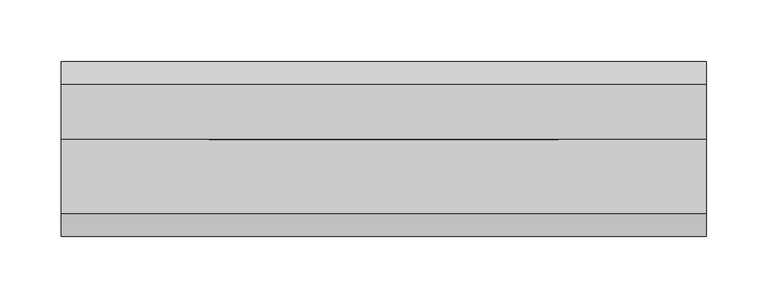
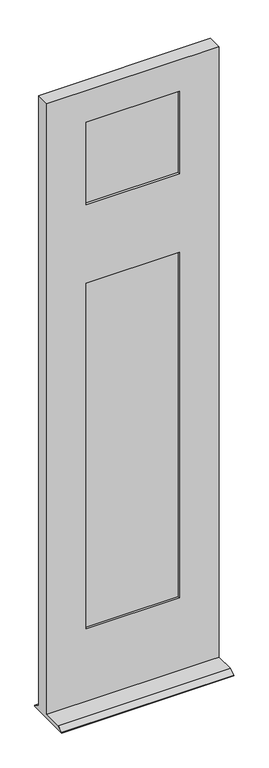
"""IFC4 building model written with IfcOpenShell, lengths in millimetres: plate geometry."""

from ifc_helpers import new_model, si_unit, frame, origin, place, context, project, spatial, polyline, outline, extrude, faceted_brep, source, transform, mapped, element, save


def plate_9feba806(model_context):
    return source(origin(), model_context, "Body", "SolidModel", [
        extrude(outline(polyline([(160.7312, -40.35425), (-160.7312, -40.35425), (-160.7312, -34.00425), (160.7312, -34.00425), (160.7312, -40.35425)])), frame((0.0, 0.0, 226.21875), z_axis=(0.0, 0.0, 1.0), x_axis=(1.0, 0.0, 0.0)), (0.0, 0.0, 1.0), 1154.7050557),
        extrude(outline(polyline([(-160.7312, -14.95425), (160.7312, -14.95425), (160.7312, -21.30425), (-160.7312, -21.30425), (-160.7312, -14.95425)])), frame((0.0, 0.0, 226.21875), z_axis=(0.0, 0.0, 1.0), x_axis=(1.0, 0.0, 0.0)), (0.0, 0.0, 1.0), 1154.7050557),
        extrude(outline(polyline([(160.7312, -14.95425), (160.7312, -21.30425), (-160.7312, -21.30425), (-160.7312, -14.95425), (160.7312, -14.95425)])), frame((0.0, 0.0, 1595.2363057), z_axis=(0.0, 0.0, 1.0), x_axis=(1.0, 0.0, 0.0)), (0.0, 0.0, 1.0), 304.8),
        extrude(outline(polyline([(-160.7312, -40.35425), (-160.7312, -34.00425), (160.7312, -34.00425), (160.7312, -40.35425), (-160.7312, -40.35425)])), frame((0.0, 0.0, 1595.2363057), z_axis=(0.0, 0.0, 1.0), x_axis=(1.0, 0.0, 0.0)), (0.0, 0.0, 1.0), 304.8),
        faceted_brep([(-263.1186, -3.34645, 1981.7989057), (-263.1186, -47.79645, 1981.7989057), (263.1186, -47.79645, 1981.7989057), (263.1186, -3.34645, 1981.7989057), (263.1186, -127.17145, 0.0), (-263.1186, -127.17145, 0.0), (-263.1186, 15.70355, 0.0), (263.1186, 15.70355, 0.0), (-263.1186, -47.79645, 12.7), (263.1186, -47.79645, 12.7), (142.4686, -47.79645, 246.0625), (-142.4686, -47.79645, 246.0625), (-142.4686, -47.79645, 1361.0737057), (142.4686, -47.79645, 1361.0737057), (-142.4686, -47.79645, 1615.0737057), (-142.4686, -47.79645, 1880.1989057), (142.4686, -47.79645, 1880.1989057), (142.4686, -47.79645, 1615.0737057), (-142.4686, -40.35425, 246.0625), (-142.4686, -40.35425, 1361.0737057), (-142.4686, -40.35425, 1615.0737057), (-142.4686, -40.35425, 1880.1989057), (160.7312, -40.35425, 226.21875), (-160.7312, -40.35425, 226.21875), (-160.7312, -40.35425, 1380.9238057), (160.7312, -40.35425, 1380.9238057), (142.4686, -40.35425, 246.0625), (142.4686, -40.35425, 1361.0737057), (160.7312, -40.35425, 1595.2363057), (-160.7312, -40.35425, 1595.2363057), (-160.7312, -40.35425, 1900.0363057), (160.7312, -40.35425, 1900.0363057), (142.4686, -40.35425, 1615.0737057), (142.4686, -40.35425, 1880.1989057), (-160.7312, -14.95425, 1595.2363057), (-160.7312, -14.95425, 1900.0363057), (-160.7312, -14.95425, 226.21875), (-160.7312, -14.95425, 1380.9238057), (160.7312, -14.95425, 226.21875), (160.7312, -14.95425, 1380.9238057), (142.4686, -14.95425, 246.0625), (-142.4686, -14.95425, 246.0625), (-142.4686, -14.95425, 1361.0737057), (142.4686, -14.95425, 1361.0737057), (160.7312, -14.95425, 1595.2363057), (160.7312, -14.95425, 1900.0363057), (142.4686, -14.95425, 1615.0737057), (-142.4686, -14.95425, 1615.0737057), (-142.4686, -14.95425, 1880.1989057), (142.4686, -14.95425, 1880.1989057), (-142.4686, -3.34645, 246.0625), (-142.4686, -3.34645, 1361.0737057), (-142.4686, -3.34645, 1615.0737057), (-142.4686, -3.34645, 1880.1989057), (263.1186, -3.34645, 12.7), (-263.1186, -3.34645, 12.7), (142.4686, -3.34645, 246.0625), (142.4686, -3.34645, 1361.0737057), (142.4686, -3.34645, 1615.0737057), (142.4686, -3.34645, 1880.1989057), (-263.1186, 15.70355, 3.175), (-263.1186, -127.17145, 3.175), (-263.1186, -108.12145, 12.7), (263.1186, -108.12145, 12.7), (263.1186, -127.17145, 3.175), (263.1186, 15.70355, 3.175)], [[[0, 1, 2, 3]], [[4, 5, 6, 7]], [[2, 1, 8, 9], [10, 11, 12, 13], [14, 15, 16, 17]], [[11, 18, 19, 12]], [[14, 20, 21, 15]], [[22, 23, 24, 25], [18, 26, 27, 19]], [[28, 29, 30, 31], [20, 32, 33, 21]], [[30, 29, 34, 35]], [[23, 36, 37, 24]], [[36, 38, 39, 37], [40, 41, 42, 43]], [[34, 44, 45, 35], [46, 47, 48, 49]], [[41, 50, 51, 42]], [[47, 52, 53, 48]], [[0, 3, 54, 55], [50, 56, 57, 51], [58, 59, 53, 52]], [[8, 1, 0, 55, 60, 6, 5, 61, 62]], [[2, 9, 63, 64, 4, 7, 65, 54, 3]], [[63, 9, 8, 62]], [[64, 63, 62, 61]], [[4, 64, 61, 5]], [[54, 65, 60, 55]], [[50, 41, 40, 56]], [[36, 23, 22, 38]], [[18, 11, 10, 26]], [[65, 7, 6, 60]], [[56, 40, 43, 57]], [[58, 46, 49, 59]], [[45, 44, 28, 31]], [[38, 22, 25, 39]], [[26, 10, 13, 27]], [[32, 17, 16, 33]], [[34, 29, 28, 44]], [[14, 17, 32, 20]], [[13, 12, 19, 27]], [[24, 37, 39, 25]], [[43, 42, 51, 57]], [[47, 46, 58, 52]], [[49, 48, 53, 59]], [[35, 45, 31, 30]], [[16, 15, 21, 33]]]),
    ])


if __name__ == "__main__":
    model = new_model("IFC4")
    model_context = context("Model", 3, world=origin())
    ifc_project = project(units=[si_unit("LENGTHUNIT", "METRE", prefix="MILLI")], contexts=[model_context])
    site = spatial("IfcSite", under=ifc_project)
    building = spatial("IfcBuilding", under=site)
    placement = place(None, origin())
    plate_shape = plate_9feba806(model_context)
    element("IfcPlate", 1, at=placement, inside=building, context=model_context, shape_type="MappedRepresentation", body=[
        mapped(plate_shape, transform((0.0, 0.0, 0.0), x_axis=(1.0, 0.0, 0.0), y_axis=(0.0, 1.0, 0.0), z_axis=(0.0, 0.0, 1.0))),
    ])
    save(model, "model.ifc")
